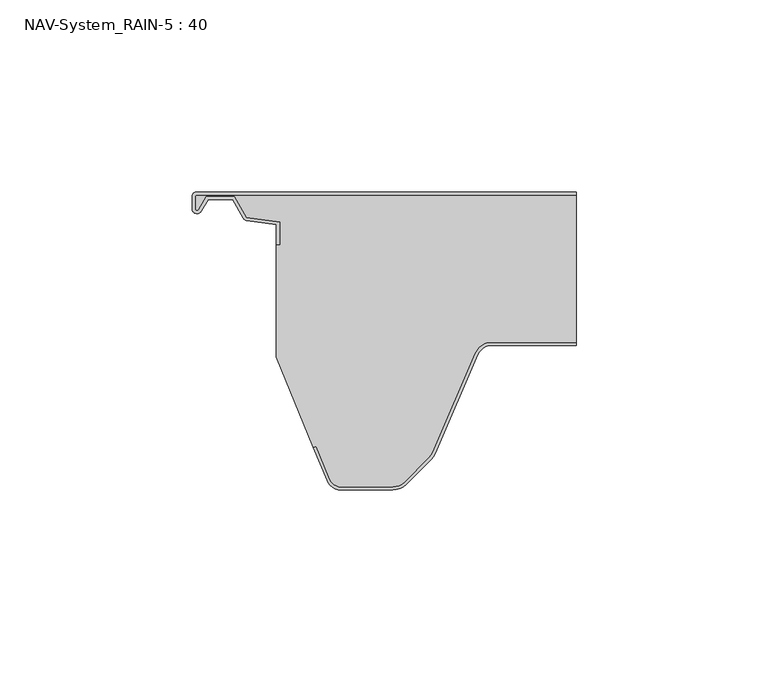
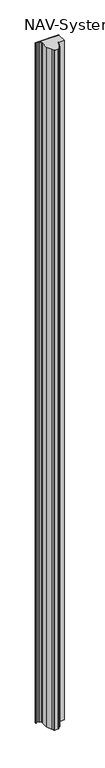
"""IFC4 building model written with IfcOpenShell, lengths in millimetres: plate geometry, NAV-System_RAIN-5 : 40."""

import ifcopenshell
import ifcopenshell.guid

model = None  # the IFC model being written
_history = None  # IfcOwnerHistory: only IFC2X3 demands one
_inside = {}  # id of a spatial element -> (the spatial element, [elements in it])
_under = {}  # id of a project, library or spatial element -> (it, [spatial elements below it])
_declared = {}  # id of a project -> (the project, [libraries it declares])
_typed = {}  # id of a type object -> (the type object, [elements of that type])
_made_of = {}  # id of a material, layer set ... -> (it, [elements and type objects made of it])


def new_model(schema):
    """Start an empty IFC model of exactly this schema.

    Asked for "IFC4X3", IfcOpenShell would pick the latest addendum, in which some entities
    have other attributes; the version numbers below select the first issue.
    IFC2X3 requires an IfcOwnerHistory on every rooted entity: one is made here for all.
    """
    global model, _history
    if schema == "IFC4X3":
        model = ifcopenshell.file(schema_version=(4, 3, 0, 0))
    else:
        model = ifcopenshell.file(schema=schema)
    _inside.clear()
    _under.clear()
    _declared.clear()
    _typed.clear()
    _made_of.clear()
    _history = None
    if model.schema == "IFC2X3":
        org = make("IfcOrganization", Name="unknown")
        user = make(
            "IfcPersonAndOrganization",
            ThePerson=make("IfcPerson", FamilyName="unknown"),
            TheOrganization=org,
        )
        app = make(
            "IfcApplication",
            ApplicationDeveloper=org,
            Version="unknown",
            ApplicationFullName="unknown",
            ApplicationIdentifier="unknown",
        )
        _history = make(
            "IfcOwnerHistory",
            OwningUser=user,
            OwningApplication=app,
            ChangeAction="ADDED",
            CreationDate=0,
        )
    return model


def make(cls, **values):
    """One entity of the class cls with the attributes given. An attribute that is None is left unset."""
    return model.create_entity(
        cls, **{name: value for name, value in values.items() if value is not None}
    )


def rooted(cls, **values):
    """An entity with a GlobalId (a new one), such as an element, a storey or a relation."""
    return make(cls, GlobalId=ifcopenshell.guid.new(), OwnerHistory=_history, **values)


def si_unit(unit_type, name, prefix=None):
    """IfcSIUnit, for example si_unit("LENGTHUNIT", "METRE", prefix="MILLI")."""
    return make("IfcSIUnit", UnitType=unit_type, Prefix=prefix, Name=name)


def assignment(units):
    """IfcUnitAssignment: the units of a project."""
    return None if units is None else make("IfcUnitAssignment", Units=units)


def point(xyz):
    """IfcCartesianPoint."""
    return None if xyz is None else make("IfcCartesianPoint", Coordinates=xyz)


def direction(xyz):
    """IfcDirection."""
    return None if xyz is None else make("IfcDirection", DirectionRatios=xyz)


def frame(location, z_axis=None, x_axis=None):
    """IfcAxis2Placement3D, a coordinate frame: its origin and axes. An axis left out is left unset."""
    return make(
        "IfcAxis2Placement3D",
        Location=point(location),
        Axis=direction(z_axis),
        RefDirection=direction(x_axis),
    )


def frame_2d(location, x_axis=None):
    """IfcAxis2Placement2D, a coordinate frame in the plane: its origin and x axis."""
    return make(
        "IfcAxis2Placement2D", Location=point(location), RefDirection=direction(x_axis)
    )


def origin():
    """The frame at (0, 0, 0) with its axes left unset."""
    return frame((0.0, 0.0, 0.0))


def origin_with_axes():
    """The frame at (0, 0, 0) with the z axis (0, 0, 1) and the x axis (1, 0, 0) written out."""
    return frame((0.0, 0.0, 0.0), z_axis=(0.0, 0.0, 1.0), x_axis=(1.0, 0.0, 0.0))


def place(relative_to, where):
    """IfcLocalPlacement: puts the frame where relative to a parent placement (None: the world)."""
    return make(
        "IfcLocalPlacement", PlacementRelTo=relative_to, RelativePlacement=where
    )


def context(
    kind, dimensions, precision=None, world=None, true_north=None, identifier=None
):
    """IfcGeometricRepresentationContext, for example the 3D "Model" context."""
    return make(
        "IfcGeometricRepresentationContext",
        ContextIdentifier=identifier,
        ContextType=kind,
        CoordinateSpaceDimension=dimensions,
        Precision=precision,
        WorldCoordinateSystem=world,
        TrueNorth=true_north,
    )


def project(units=None, contexts=None):
    """IfcProject with its units and contexts."""
    return rooted(
        "IfcProject",
        Name="project",
        RepresentationContexts=contexts,
        UnitsInContext=assignment(units),
    )


def spatial(cls, under=None, at=None, **own):
    """A site, building, storey or space (cls), placed at a placement, below another one or the project."""
    s = rooted(cls, ObjectPlacement=at, **own)
    if under is not None:
        _under.setdefault(under.id(), (under, []))[1].append(s)
    return s


def polyline(points):
    """IfcPolyline through the points."""
    return make("IfcPolyline", Points=[point(p) for p in points])


def circle_curve(where, radius):
    """IfcCircle in the frame where."""
    return make("IfcCircle", Position=where, Radius=radius)


def trimmed(basis, trim1, trim2, sense, master):
    """IfcTrimmedCurve: the piece of a basis curve between two trims."""
    return make(
        "IfcTrimmedCurve",
        BasisCurve=basis,
        Trim1=trim1,
        Trim2=trim2,
        SenseAgreement=sense,
        MasterRepresentation=master,
    )


def segment(curve, same_sense, transition):
    """IfcCompositeCurveSegment."""
    return make(
        "IfcCompositeCurveSegment",
        Transition=transition,
        SameSense=same_sense,
        ParentCurve=curve,
    )


def composite_curve(segments, self_intersect=None):
    """IfcCompositeCurve: segments joined end to end."""
    return make("IfcCompositeCurve", Segments=segments, SelfIntersect=self_intersect)


def outline(outer, holes=None, kind="AREA"):
    """IfcArbitraryClosedProfileDef: a profile drawn as a closed curve; with holes, ...WithVoids."""
    if holes is None:
        return make("IfcArbitraryClosedProfileDef", ProfileType=kind, OuterCurve=outer)
    return make(
        "IfcArbitraryProfileDefWithVoids",
        ProfileType=kind,
        OuterCurve=outer,
        InnerCurves=holes,
    )


def extrude(swept, where, along, depth):
    """IfcExtrudedAreaSolid: the profile swept, set in the frame where, extruded along a direction by depth."""
    return make(
        "IfcExtrudedAreaSolid",
        SweptArea=swept,
        Position=where,
        ExtrudedDirection=direction(along),
        Depth=depth,
    )


def shape(context_of_items, identifier, shape_type, items):
    """IfcShapeRepresentation: the items that make up one representation, for example the "Body"."""
    return make(
        "IfcShapeRepresentation",
        ContextOfItems=context_of_items,
        RepresentationIdentifier=identifier,
        RepresentationType=shape_type,
        Items=items,
    )


def source(mapping_origin, context_of_items, identifier, shape_type, items):
    """IfcRepresentationMap: a shape defined once, which mapped items show again and again."""
    return make(
        "IfcRepresentationMap",
        MappingOrigin=mapping_origin,
        MappedRepresentation=shape(context_of_items, identifier, shape_type, items),
    )


def transform(
    local_origin,
    x_axis=None,
    y_axis=None,
    z_axis=None,
    scale=None,
    scale2=None,
    scale3=None,
    uniform=True,
):
    """IfcCartesianTransformationOperator3D, or its non-uniform kind. x_axis, y_axis, z_axis: its Axis1, 2, 3."""
    if uniform:
        return make(
            "IfcCartesianTransformationOperator3D",
            Axis1=direction(x_axis),
            Axis2=direction(y_axis),
            LocalOrigin=point(local_origin),
            Scale=scale,
            Axis3=direction(z_axis),
        )
    return make(
        "IfcCartesianTransformationOperator3DnonUniform",
        Axis1=direction(x_axis),
        Axis2=direction(y_axis),
        LocalOrigin=point(local_origin),
        Scale=scale,
        Axis3=direction(z_axis),
        Scale2=scale2,
        Scale3=scale3,
    )


def mapped(mapping_source, mapping_target):
    """IfcMappedItem: shows the shape of a source again, moved by a transform."""
    return make(
        "IfcMappedItem", MappingSource=mapping_source, MappingTarget=mapping_target
    )


def made_of(thing, what):
    """Note that an element or type object is made of a material, layer set ...; save() writes the relation."""
    if what is not None:
        _made_of.setdefault(what.id(), (what, []))[1].append(thing)
    return thing


def element(
    cls,
    number,
    at=None,
    inside=None,
    cuts=None,
    type_object=None,
    material=None,
    context=None,
    identifier="Body",
    shape_type=None,
    held_by="IfcProductDefinitionShape",
    body=None,
    shapes=None,
    **own,
):
    """One element of the class cls, such as IfcWall. Its Tag is "e" and its number.

    at: its placement. inside: the storey or other place that contains it. cuts: it is an
    opening in that element (IfcRelVoidsElement). A single representation is given by context,
    identifier, shape_type and body (its items); several are given by shapes. held_by: the class
    of the entity that holds the representations. save() writes the other relations.
    """
    e = rooted(cls, Tag="e%d" % number, ObjectPlacement=at, **own)
    if body is not None:
        shapes = [shape(context, identifier, shape_type, body)]
    if shapes is not None:
        e.Representation = make(held_by, Representations=shapes)
    if inside is not None:
        _inside.setdefault(inside.id(), (inside, []))[1].append(e)
    if cuts is not None:
        rooted(
            "IfcRelVoidsElement", RelatingBuildingElement=cuts, RelatedOpeningElement=e
        )
    if type_object is not None:
        _typed.setdefault(type_object.id(), (type_object, []))[1].append(e)
    return made_of(e, material)


def aggregate(whole, parts):
    """IfcRelAggregates: a whole, such as a stair, and the parts it consists of."""
    return rooted("IfcRelAggregates", RelatingObject=whole, RelatedObjects=parts)


def save(model, path):
    """Write the relations noted so far, then the file.

    IfcRelAggregates (storeys below a building ...), IfcRelContainedInSpatialStructure (elements
    in a storey), IfcRelDefinesByType, IfcRelAssociatesMaterial and IfcRelDeclares: one each for
    every whole, place, type object, material and project.
    """
    for whole, parts in _under.values():
        aggregate(whole, parts)
    for where, things in _inside.values():
        rooted(
            "IfcRelContainedInSpatialStructure",
            RelatedElements=things,
            RelatingStructure=where,
        )
    for kind, things in _typed.values():
        rooted("IfcRelDefinesByType", RelatedObjects=things, RelatingType=kind)
    for what, things in _made_of.values():
        rooted("IfcRelAssociatesMaterial", RelatedObjects=things, RelatingMaterial=what)
    for by, libraries in _declared.values():
        rooted("IfcRelDeclares", RelatingContext=by, RelatedDefinitions=libraries)
    model.write(path)


def nav_system_rain_5_40_0375d712(model_context):
    return source(origin(), model_context, "Body", "SweptSolid", [
        extrude(outline(composite_curve([segment(trimmed(circle_curve(frame_2d((-48.7, -1.3)), 0.5), [point((-48.7, -0.8))], [point((-49.2, -1.3))], True, "CARTESIAN"), True, "CONTINUOUS"), segment(polyline([(-49.2, -1.3), (-49.2, -4.3700191)]), True, "CONTINUOUS"), segment(trimmed(circle_curve(frame_2d((-48.7, -4.3700191)), 0.5), [point((-49.2, -4.3700191))], [point((-48.2669873, -4.6200191))], True, "CARTESIAN"), True, "CONTINUOUS"), segment(polyline([(-48.2669873, -4.6200191), (-46.2924383, -1.2), (-38.9841833, -1.2), (-35.8164586, -6.6866602), (-27.2, -7.898332), (-27.2, -13.6767555), (-28.0, -13.6767555), (-28.0, -8.5937048), (-35.6863953, -7.5128213)]), True, "CONTINUOUS"), segment(trimmed(circle_curve(frame_2d((-35.5053666, -6.2254873)), 1.3), [point((-35.6863953, -7.5128213))], [point((-36.6311996, -6.8754873))], False, "CARTESIAN"), True, "CONTINUOUS"), segment(polyline([(-36.6311996, -6.8754873), (-39.4460636, -2.0), (-45.8305581, -2.0), (-47.574167, -5.0200191)]), True, "CONTINUOUS"), segment(trimmed(circle_curve(frame_2d((-48.7, -4.3700191)), 1.3), [point((-47.574167, -5.0200191))], [point((-50.0, -4.3700191))], False, "CARTESIAN"), True, "CONTINUOUS"), segment(polyline([(-50.0, -4.3700191), (-50.0, -1.3)]), True, "CONTINUOUS"), segment(trimmed(circle_curve(frame_2d((-48.7, -1.3)), 1.3), [point((-50.0, -1.3))], [point((-48.7, 0.0))], False, "CARTESIAN"), True, "CONTINUOUS"), segment(polyline([(-48.7, 0.0), (50.0, 0.0), (50.0, -0.8), (-48.7, -0.8)]), True, "CONTINUOUS")], self_intersect=False)), origin_with_axes(), (0.0, 0.0, 1.0), 3000.0),
        extrude(outline(composite_curve([segment(trimmed(circle_curve(frame_2d((28.0709249, -44.0)), 4.8), [point((28.0709249, -39.2))], [point((23.6607271, -42.1052295))], True, "CARTESIAN"), True, "CONTINUOUS"), segment(polyline([(23.6607271, -42.1052295), (12.5754349, -67.9069459)]), True, "CONTINUOUS"), segment(trimmed(circle_curve(frame_2d((8.7165118, -66.2490217)), 4.2), [point((12.5754349, -67.9069459))], [point((11.6863603, -69.2188701))], False, "CARTESIAN"), True, "CONTINUOUS"), segment(polyline([(11.6863603, -69.2188701), (5.235382, -75.6698485)]), True, "CONTINUOUS"), segment(trimmed(circle_curve(frame_2d((2.2655335, -72.7)), 4.2), [point((5.235382, -75.6698485))], [point((2.2655335, -76.9))], False, "CARTESIAN"), True, "CONTINUOUS"), segment(polyline([(2.2655335, -76.9), (-11.1405186, -76.9)]), True, "CONTINUOUS"), segment(trimmed(circle_curve(frame_2d((-11.1405186, -73.7)), 3.2), [point((-11.1405186, -76.9))], [point((-14.1022482, -74.9116756))], False, "CARTESIAN"), True, "CONTINUOUS"), segment(polyline([(-14.1022482, -74.9116756), (-17.6292254, -66.2905951), (-18.3696578, -66.593514), (-28.0, -43.053822), (-28.0, -13.6767555), (-27.2, -13.6767555), (-27.2, -7.898332), (-35.8164586, -6.6866602), (-38.9841833, -1.2), (-46.2924383, -1.2), (-48.2669873, -4.6200191)]), True, "CONTINUOUS"), segment(trimmed(circle_curve(frame_2d((-48.7, -4.3700191)), 0.5), [point((-48.2669873, -4.6200191))], [point((-49.2, -4.3700191))], False, "CARTESIAN"), True, "CONTINUOUS"), segment(polyline([(-49.2, -4.3700191), (-49.2, -1.3)]), True, "CONTINUOUS"), segment(trimmed(circle_curve(frame_2d((-48.7, -1.3)), 0.5), [point((-49.2, -1.3))], [point((-48.7, -0.8))], False, "CARTESIAN"), True, "CONTINUOUS"), segment(polyline([(-48.7, -0.8), (50.0, -0.8), (50.0, -39.2), (28.0709249, -39.2)]), True, "CONTINUOUS")], self_intersect=False)), origin_with_axes(), (0.0, 0.0, 1.0), 3000.0),
        extrude(outline(composite_curve([segment(polyline([(-14.8430228, -75.2145945), (-18.37, -66.593514), (-17.6295676, -66.2905951), (-14.1025904, -74.9116756)]), True, "CONTINUOUS"), segment(trimmed(circle_curve(frame_2d((-11.1408608, -73.7)), 3.2), [point((-14.1025904, -74.9116756))], [point((-11.1408608, -76.9))], True, "CARTESIAN"), True, "CONTINUOUS"), segment(polyline([(-11.1408608, -76.9), (2.2651913, -76.9)]), True, "CONTINUOUS"), segment(trimmed(circle_curve(frame_2d((2.2651913, -72.7)), 4.2), [point((2.2651913, -76.9))], [point((5.2350397, -75.6698485))], True, "CARTESIAN"), True, "CONTINUOUS"), segment(polyline([(5.2350397, -75.6698485), (11.6860181, -69.2188701)]), True, "CONTINUOUS"), segment(trimmed(circle_curve(frame_2d((8.7161696, -66.2490217)), 4.2), [point((11.6860181, -69.2188701))], [point((12.5750927, -67.9069459))], True, "CARTESIAN"), True, "CONTINUOUS"), segment(polyline([(12.5750927, -67.9069459), (23.6603849, -42.1052295)]), True, "CONTINUOUS"), segment(trimmed(circle_curve(frame_2d((28.0705827, -44.0)), 4.8), [point((23.6603849, -42.1052295))], [point((28.0705827, -39.2))], False, "CARTESIAN"), True, "CONTINUOUS"), segment(polyline([(28.0705827, -39.2), (50.0, -39.2), (50.0, -40.0), (28.0705827, -40.0)]), True, "CONTINUOUS"), segment(trimmed(circle_curve(frame_2d((28.0705827, -44.0)), 4.0), [point((28.0705827, -40.0))], [point((24.3954178, -42.4210246))], True, "CARTESIAN"), True, "CONTINUOUS"), segment(polyline([(24.3954178, -42.4210246), (13.3101256, -68.2227409)]), True, "CONTINUOUS"), segment(trimmed(circle_curve(frame_2d((8.7161696, -66.2490217)), 5.0), [point((13.3101256, -68.2227409))], [point((12.2517035, -69.7845556))], False, "CARTESIAN"), True, "CONTINUOUS"), segment(polyline([(12.2517035, -69.7845556), (5.8007252, -76.2355339)]), True, "CONTINUOUS"), segment(trimmed(circle_curve(frame_2d((2.2651913, -72.7)), 5.0), [point((5.8007252, -76.2355339))], [point((2.2651913, -77.7))], False, "CARTESIAN"), True, "CONTINUOUS"), segment(polyline([(2.2651913, -77.7), (-11.1408608, -77.7)]), True, "CONTINUOUS"), segment(trimmed(circle_curve(frame_2d((-11.1408608, -73.7)), 4.0), [point((-11.1408608, -77.7))], [point((-14.8430228, -75.2145945))], False, "CARTESIAN"), True, "CONTINUOUS")], self_intersect=False)), origin_with_axes(), (0.0, 0.0, 1.0), 3000.0),
    ])


if __name__ == "__main__":
    model = new_model("IFC4")
    model_context = context("Model", 3, world=origin())
    ifc_project = project(units=[si_unit("LENGTHUNIT", "METRE", prefix="MILLI")], contexts=[model_context])
    site = spatial("IfcSite", under=ifc_project)
    building = spatial("IfcBuilding", under=site)
    placement = place(None, origin())
    nav_system_rain_5_40_shape = nav_system_rain_5_40_0375d712(model_context)
    element("IfcPlate", 1, ObjectType="NAV-System_RAIN-5 : 40", at=placement, inside=building, context=model_context, shape_type="MappedRepresentation", body=[
        mapped(nav_system_rain_5_40_shape, transform((0.0, 0.0, 0.0), x_axis=(1.0, 0.0, 0.0), y_axis=(0.0, 1.0, 0.0), z_axis=(0.0, 0.0, 1.0))),
    ])
    save(model, "model.ifc")
